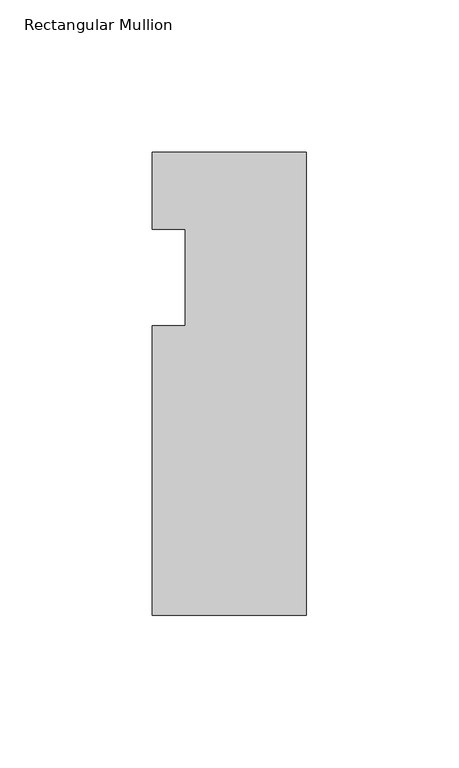
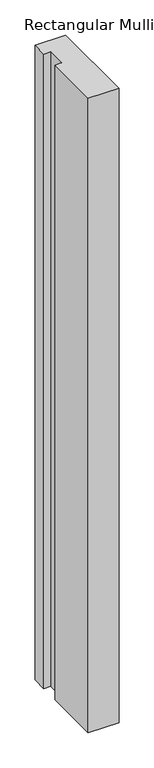
"""IFC4 building model written with IfcOpenShell, lengths in millimetres: member geometry, Rectangular Mullion."""

from ifc_helpers import new_model, si_unit, frame, origin, place, context, project, spatial, polyline, outline, extrude, source, transform, mapped, element, save


def rectangular_mullion_1956baca(model_context):
    return source(origin(), model_context, "Body", "SweptSolid", [
        extrude(outline(polyline([(0.0, 6.35), (0.0, -146.05), (-50.8, -146.05), (-50.8, -50.8000003), (-39.798625, -50.8000003), (-39.798625, -19.05), (-50.8, -19.05), (-50.8, 6.35), (0.0, 6.35)])), frame((0.0, 0.0, -1104.9), z_axis=(0.0, 0.0, 1.0), x_axis=(1.0, 0.0, 0.0)), (0.0, 0.0, 1.0), 1104.9),
    ])


if __name__ == "__main__":
    model = new_model("IFC4")
    model_context = context("Model", 3, world=origin())
    ifc_project = project(units=[si_unit("LENGTHUNIT", "METRE", prefix="MILLI")], contexts=[model_context])
    site = spatial("IfcSite", under=ifc_project)
    building = spatial("IfcBuilding", under=site)
    placement = place(None, origin())
    rectangular_mullion_shape = rectangular_mullion_1956baca(model_context)
    element("IfcMember", 1, ObjectType="Rectangular Mullion", at=placement, inside=building, context=model_context, shape_type="MappedRepresentation", body=[
        mapped(rectangular_mullion_shape, transform((0.0, 0.0, 0.0), x_axis=(1.0, 0.0, 0.0), y_axis=(0.0, 1.0, 0.0), z_axis=(0.0, 0.0, 1.0))),
    ])
    save(model, "model.ifc")
